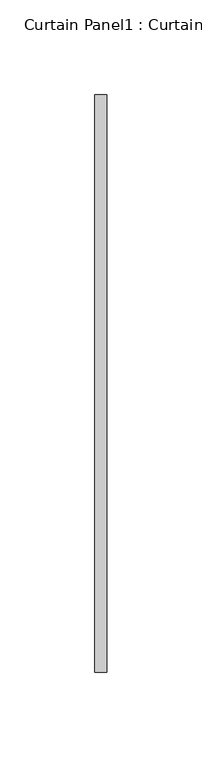
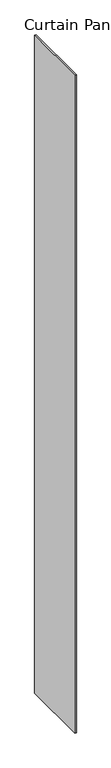
"""IFC4 building model written with IfcOpenShell, lengths in millimetres: plate geometry, Curtain Panel1 : Curtain Panel."""

from ifc_helpers import new_model, si_unit, origin, origin_with_axes, place, context, project, spatial, polyline, outline, extrude, source, transform, mapped, element, save


def curtain_panel1_curtain_panel_b8810998(model_context):
    return source(origin(), model_context, "Body", "SweptSolid", [
        extrude(outline(polyline([(139180.2604739, 2718.9413906), (139180.2604739, 2414.1413906), (139173.9104739, 2414.1413906), (139173.9104739, 2718.9413906), (139180.2604739, 2718.9413906)])), origin_with_axes(), (0.0, 0.0, 1.0), 3048.0),
    ])


if __name__ == "__main__":
    model = new_model("IFC4")
    model_context = context("Model", 3, world=origin())
    ifc_project = project(units=[si_unit("LENGTHUNIT", "METRE", prefix="MILLI")], contexts=[model_context])
    site = spatial("IfcSite", under=ifc_project)
    building = spatial("IfcBuilding", under=site)
    placement = place(None, origin())
    curtain_panel1_curtain_panel_shape = curtain_panel1_curtain_panel_b8810998(model_context)
    element("IfcPlate", 1, ObjectType="Curtain Panel1 : Curtain Panel", at=placement, inside=building, context=model_context, shape_type="MappedRepresentation", body=[
        mapped(curtain_panel1_curtain_panel_shape, transform((0.0, 0.0, 0.0), x_axis=(1.0, 0.0, 0.0), y_axis=(0.0, 1.0, 0.0), z_axis=(0.0, 0.0, 1.0))),
    ])
    save(model, "model.ifc")
